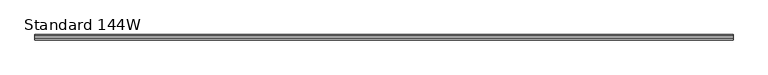
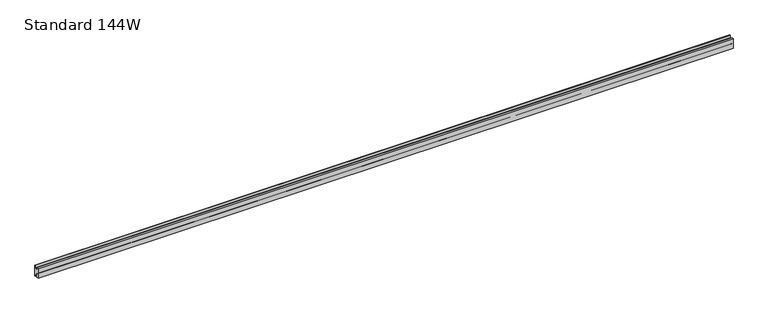
"""IFC4 building model written with IfcOpenShell, lengths in millimetres: furniture geometry, Standard 144W."""

from ifc_helpers import new_model, si_unit, frame, origin, place, context, project, spatial, polyline, outline, extrude, source, transform, mapped, element, save


def standard_144w_a9847ba4(model_context):
    return source(origin(), model_context, "Body", "SweptSolid", [
        extrude(outline(polyline([(-19.05, 1825.625), (-19.05, 1816.1), (-3.175, 1816.1), (-3.175, 1828.8), (0.0, 1828.8), (0.0, 1768.475), (-3.175, 1768.475), (-3.175, 1778.0), (-19.05, 1790.8984375), (-19.05, 1771.65), (-28.575, 1771.65), (-28.575, 1825.625), (-19.05, 1825.625)])), frame((-1896.1205525, 0.0, 0.0), z_axis=(1.0, 0.0, 0.0), x_axis=(0.0, 1.0, 0.0)), (0.0, 0.0, 1.0), 3657.6),
    ])


if __name__ == "__main__":
    model = new_model("IFC4")
    model_context = context("Model", 3, world=origin())
    ifc_project = project(units=[si_unit("LENGTHUNIT", "METRE", prefix="MILLI")], contexts=[model_context])
    site = spatial("IfcSite", under=ifc_project)
    building = spatial("IfcBuilding", under=site)
    placement = place(None, origin())
    standard_144w_shape = standard_144w_a9847ba4(model_context)
    element("IfcFurniture", 1, ObjectType="Standard 144W", at=placement, inside=building, context=model_context, shape_type="MappedRepresentation", body=[
        mapped(standard_144w_shape, transform((0.0, 0.0, 0.0), x_axis=(1.0, 0.0, 0.0), y_axis=(0.0, 1.0, 0.0), z_axis=(0.0, 0.0, 1.0))),
    ])
    save(model, "model.ifc")
